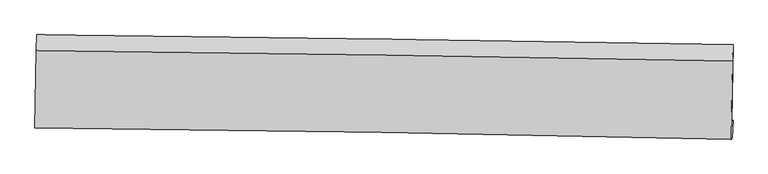
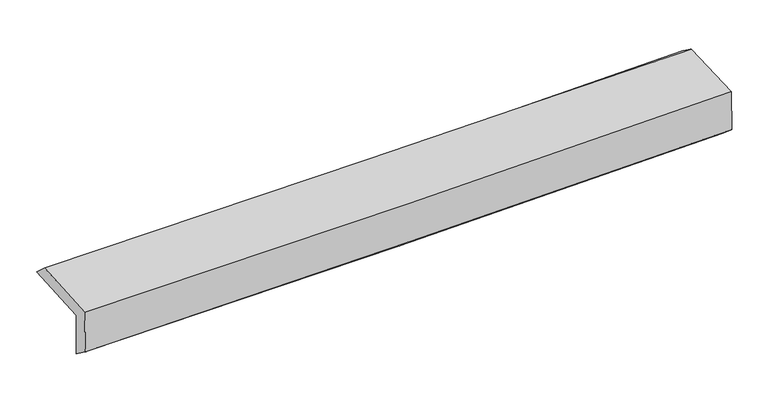
"""IFC4 building model written with IfcOpenShell, lengths in millimetres: proxy geometry."""

from ifc_helpers import new_model, si_unit, frame, origin, place, context, project, spatial, source, transform, mapped, element, save
from ifc_brep_helpers import plane_surface, spline_curve, spline_surface, advanced_brep


def generic_models_8c9d13d2(model_context):
    return source(origin(), model_context, "Body", "AdvancedBrep", [
        advanced_brep(
        [(-3025.2382006, -1762.0430083, 1965.236542), (-3015.0432849, -1097.1644631, 1991.1016361), (3011.9522553, -1183.715702, 2135.1156663), (3001.7267301, -1849.1480647, 2123.5009062), (-3015.2992352, -1746.6990724, 1566.8934843), (3011.9579014, -1838.4184033, 1710.1604971), (-3020.654418, -1900.7034333, 1683.9823247), (3006.315797, -1992.6780278, 1841.868273), (-3030.3838055, -1906.2573304, 2080.2616073), (2996.7486493, -2002.7113125, 2228.3820556), (-3020.3355576, -1236.3112673, 2115.5482088), (3007.1700585, -1327.0584349, 2238.5801418)],
        [
            (0, 1),
            (1, 2, spline_curve(3, [(-3015.0432849, -1097.1644631, 1991.1016361), (-2010.009843805, -1108.225128661, 1995.365739743), (-1005.242999266, -1120.968073328, 2009.498982242), (1003.755513327, -1149.818492773, 2057.503698138), (2007.98718176, -1165.925961028, 2091.37513228), (3011.9522553, -1183.715702, 2135.1156663)], [4, 2, 4], [0.0, 9.89163076246801, 19.78324198255625])),
            (2, 3),
            (3, 0, spline_curve(3, [(3001.7267301, -1849.1480647, 2123.5009062), (1997.885211027, -1831.083164162, 2072.637841026), (993.717870664, -1814.791964813, 2034.017612192), (-1015.270438392, -1785.756938705, 1981.262775696), (-2020.09140801, -1773.013119608, 1967.128216478), (-3025.2382006, -1762.0430083, 1965.236542)], [4, 2, 4], [0.0, 9.891611220088242, 19.78324198255625])),
            (4, 0),
            (3, 5),
            (5, 4, spline_curve(3, [(3011.9579014, -1838.4184033, 1710.1604971), (2007.970279633, -1818.046366275, 1666.796104889), (1003.705536933, -1800.21707538, 1633.174993526), (-1005.380173958, -1769.643954819, 1585.4192839), (-2010.201143662, -1756.900135668, 1571.284724638), (-3015.2992352, -1746.6990724, 1566.8934843)], [4, 2, 4], [0.0, 9.89187391443609, 19.783767371770942])),
            (6, 4),
            (5, 7),
            (7, 6, spline_curve(3, [(3006.315797, -1992.6780278, 1841.868273), (2002.164803704, -1972.610274508, 1804.519067836), (997.842285241, -1954.911853654, 1772.687310347), (-1011.147785771, -1924.253646261, 1720.058639265), (-2015.815338946, -1911.293868807, 1699.261747054), (-3020.654418, -1900.7034333, 1683.9823247)], [4, 2, 4], [0.0, 9.891534172013241, 19.78308788625403])),
            (8, 6),
            (7, 9),
            (9, 8, spline_curve(3, [(2996.7486493, -2002.7113125, 2228.3820556), (1992.760605067, -1980.263650892, 2185.912736397), (988.506041405, -1961.001993123, 2152.334709512), (-1020.538109389, -1928.850653317, 2102.961191915), (-2025.327697226, -1915.960983809, 2087.165735941), (-3030.3838055, -1906.2573304, 2080.2616073)], [4, 2, 4], [0.0, 9.891569441794969, 19.783158425887166])),
            (10, 8),
            (9, 11),
            (11, 10, spline_curve(3, [(3007.1700585, -1327.0584349, 2238.5801418), (2002.888707016, -1307.299346159, 2208.661009291), (998.456392748, -1289.85754283, 2183.448787519), (-1010.712145055, -1259.60847789, 2142.43812437), (-2015.448369696, -1246.80122511, 2126.639702048), (-3020.3355576, -1236.3112673, 2115.5482088)], [4, 2, 4], [0.0, 9.8912802098472, 19.782579961420208])),
            (1, 10),
            (11, 2),
        ],
        [
            spline_surface(3, 3, [[(-3025.2382006, -1762.0430083, 1965.236542), (-2020.091408029, -1773.013119592, 1967.128216389), (-1015.270438334, -1785.756938852, 1981.26277571), (993.717870605, -1814.791964667, 2034.017612178), (1997.885211157, -1831.083164194, 2072.637840872), (3001.7267301, -1849.1480647, 2123.5009062)], [(-3021.839895365, -1540.416826567, 1973.858240062), (-2016.730886643, -1551.417122567, 1976.540724175), (-1011.927958587, -1564.160650316, 1990.674844572), (997.06375149, -1593.134140729, 2041.846307459), (2001.25253474, -1609.364096486, 2078.883604624), (3005.135238513, -1627.337277123, 2127.3724929)], [(-3018.441590135, -1318.790644833, 1982.479938038), (-2013.370365263, -1329.821125541, 1985.953231876), (-1008.585478892, -1342.564361782, 2000.086913464), (1000.409632322, -1371.476316793, 2049.675002771), (2004.619858283, -1387.645028809, 2085.129368375), (3008.543746887, -1405.526489577, 2131.2440796)], [(-3015.0432849, -1097.1644631, 1991.1016361), (-2010.009843876, -1108.225128516, 1995.365739662), (-1005.242999145, -1120.968073246, 2009.498982326), (1003.755513206, -1149.818492855, 2057.503698053), (2007.987181866, -1165.925961102, 2091.375132127), (3011.9522553, -1183.715702, 2135.1156663)]], [4, 4], [4, 2, 4], [0.0, 2.1832662563809104], [0.0, 9.89163076246801, 19.78324198255625]),
            spline_surface(3, 3, [[(-3015.2992352, -1746.6990724, 1566.8934843), (-2010.201143759, -1756.900135665, 1571.28472467), (-1005.380174063, -1769.643954925, 1585.41928399), (1003.705537038, -1800.217075274, 1633.174993436), (2007.97027955, -1818.04636631, 1666.796105022), (3011.9579014, -1838.4184033, 1710.1604971)], [(-3018.61222366, -1751.813717706, 1699.674503523), (-2013.497898509, -1762.271130313, 1703.232555232), (-1008.676928813, -1775.014949573, 1717.367114553), (1000.376314901, -1805.075371744, 1766.789199672), (2004.608590089, -1822.391965614, 1802.07668364), (3008.54751097, -1841.99495711, 1847.940633468)], [(-3021.92521214, -1756.928362994, 1832.455522777), (-2016.794653279, -1767.642124944, 1835.180385827), (-1011.973683584, -1780.385944204, 1849.314945147), (997.047092743, -1809.933668197, 1900.403405941), (2001.246900618, -1826.73756489, 1937.357262254), (3005.13712053, -1845.57151089, 1985.720769832)], [(-3025.2382006, -1762.0430083, 1965.236542), (-2020.091408029, -1773.013119592, 1967.128216389), (-1015.270438334, -1785.756938852, 1981.26277571), (993.717870605, -1814.791964667, 2034.017612178), (1997.885211157, -1831.083164194, 2072.637840872), (3001.7267301, -1849.1480647, 2123.5009062)]], [4, 4], [4, 2, 4], [0.0, 1.308275399285792], [0.0, 9.891893457334852, 19.783767371770942]),
            spline_surface(3, 3, [[(-3020.654418, -1900.7034333, 1683.9823247), (-2015.815339084, -1911.293868915, 1699.261747148), (-1011.147785754, -1924.253646201, 1720.058639192), (997.842285223, -1954.911853714, 1772.68731042), (2002.164803583, -1972.610274626, 1804.519067822), (3006.315797, -1992.6780278, 1841.868273)], [(-3018.869357071, -1849.368646329, 1644.952711237), (-2013.943940647, -1859.82929116, 1656.602739659), (-1009.225248544, -1872.717082451, 1675.17885414), (999.796702475, -1903.346927576, 1726.183204774), (2004.099962242, -1921.088971867, 1758.611413579), (3008.196498471, -1941.25815298, 1797.965681057)], [(-3017.084296129, -1798.033859371, 1605.923097763), (-2012.072542196, -1808.364713419, 1613.943732159), (-1007.302711273, -1821.180518675, 1630.299069042), (1001.751119787, -1851.782001412, 1679.679099081), (2006.03512089, -1869.567669068, 1712.703759265), (3010.077199929, -1889.83827812, 1754.063089043)], [(-3015.2992352, -1746.6990724, 1566.8934843), (-2010.201143759, -1756.900135665, 1571.28472467), (-1005.380174063, -1769.643954925, 1585.41928399), (1003.705537038, -1800.217075274, 1633.174993436), (2007.97027955, -1818.04636631, 1666.796105022), (3011.9579014, -1838.4184033, 1710.1604971)]], [4, 4], [4, 2, 4], [0.0, 0.6782767841848238], [0.0, 9.89155371424079, 19.78308788625403]),
            spline_surface(3, 3, [[(-3030.3838055, -1906.2573304, 2080.2616073), (-2025.32769719, -1915.960983686, 2087.165735834), (-1020.538109268, -1928.850653232, 2102.961191763), (988.506041284, -1961.001993208, 2152.334709664), (1992.760604952, -1980.263650988, 2185.912736497), (2996.7486493, -2002.7113125, 2228.3820556)], [(-3027.14067634, -1904.406031385, 1948.1685131), (-2022.156911162, -1914.40527878, 1957.864406272), (-1017.40800144, -1927.318317553, 1975.327007565), (991.618122586, -1958.971946708, 2025.785576576), (1995.895337806, -1977.712525516, 2058.781513596), (2999.93769851, -1999.366884249, 2099.544128058)], [(-3023.89754716, -1902.554732315, 1816.0754189), (-2018.986125113, -1912.849573821, 1828.56307671), (-1014.277893581, -1925.78598188, 1847.69282339), (994.730203921, -1956.941900214, 1899.236443509), (1999.030070729, -1975.161400098, 1931.650290722), (3003.12674779, -1996.022456051, 1970.706200542)], [(-3020.654418, -1900.7034333, 1683.9823247), (-2015.815339084, -1911.293868915, 1699.261747148), (-1011.147785754, -1924.253646201, 1720.058639192), (997.842285223, -1954.911853714, 1772.68731042), (2002.164803583, -1972.610274626, 1804.519067822), (3006.315797, -1992.6780278, 1841.868273)]], [4, 4], [4, 2, 4], [0.0, 1.2514021152535395], [0.0, 9.891588984092197, 19.783158425887166]),
            spline_surface(3, 3, [[(-3020.3355576, -1236.3112673, 2115.5482088), (-2015.448369807, -1246.80122522, 2126.639701991), (-1010.712145207, -1259.608477846, 2142.438124493), (998.456392901, -1289.857542873, 2183.448787396), (2002.888706992, -1307.299346105, 2208.661009285), (3007.1700585, -1327.0584349, 2238.5801418)], [(-3023.684973542, -1459.626621672, 2103.786008278), (-2018.741478911, -1469.854478047, 2113.48171325), (-1013.987466531, -1482.68920297, 2129.279146914), (995.139609058, -1513.572359647, 2173.07742815), (1999.512673003, -1531.620781087, 2201.078251698), (3003.696255458, -1552.276060788, 2235.180779743)], [(-3027.034389558, -1682.941976028, 2092.023807822), (-2022.034588087, -1692.907730859, 2100.323724574), (-1017.262787944, -1705.769928108, 2116.120169342), (991.822825126, -1737.287176435, 2162.706068911), (1996.136638941, -1755.942216006, 2193.495494083), (3000.222452342, -1777.493686612, 2231.781417657)], [(-3030.3838055, -1906.2573304, 2080.2616073), (-2025.32769719, -1915.960983686, 2087.165735834), (-1020.538109268, -1928.850653232, 2102.961191763), (988.506041284, -1961.001993208, 2152.334709664), (1992.760604952, -1980.263650988, 2185.912736497), (2996.7486493, -2002.7113125, 2228.3820556)]], [4, 4], [4, 2, 4], [0.0, 2.202083076646891], [0.0, 9.891299751573008, 19.782579961420208]),
            spline_surface(3, 3, [[(-3015.0432849, -1097.1644631, 1991.1016361), (-2010.009843876, -1108.225128516, 1995.365739662), (-1005.242999145, -1120.968073246, 2009.498982326), (1003.755513206, -1149.818492855, 2057.503698053), (2007.987181866, -1165.925961102, 2091.375132127), (3011.9522553, -1183.715702, 2135.1156663)], [(-3016.807375822, -1143.546731142, 2032.583827), (-2011.822685875, -1154.417160726, 2039.123727106), (-1007.066047855, -1167.181541439, 2053.81202973), (1001.989139748, -1196.498176188, 2099.485394516), (2006.287690219, -1213.050422754, 2130.470424487), (3010.358189678, -1231.496612951, 2169.603824774)], [(-3018.571466678, -1189.928999258, 2074.0660179), (-2013.635527808, -1200.60919301, 2082.881714548), (-1008.889096497, -1213.395009652, 2098.125077089), (1000.222766359, -1243.17785954, 2141.467090933), (2004.588198639, -1260.174884453, 2169.565716925), (3008.764124122, -1279.277523949, 2204.091983326)], [(-3020.3355576, -1236.3112673, 2115.5482088), (-2015.448369807, -1246.80122522, 2126.639701991), (-1010.712145207, -1259.608477846, 2142.438124493), (998.456392901, -1289.857542873, 2183.448787396), (2002.888706992, -1307.299346105, 2208.661009285), (3007.1700585, -1327.0584349, 2238.5801418)]], [4, 4], [4, 2, 4], [0.0, 0.6242207344285741], [0.0, 9.891005762347936, 19.78199198355088]),
            plane_surface(frame((3005.9785653, -1698.9549909, 2046.2679233), z_axis=(0.999579299668622, -0.015784979990832303, 0.02433224364246565), x_axis=(0.02473650313229492, 0.0259417319895316, -0.9993573594836681))),
            plane_surface(frame((-3021.1590836, -1608.1964291, 1900.5039672), z_axis=(-0.9995719392719726, 0.016272771582409435, -0.02431327055528931), x_axis=(-0.015320113191660543, -0.9991269044932468, -0.03886801833818152))),
        ],
        [
            (0, [[1, 2, 3, 4]]),
            (1, [[5, -4, 6, 7]]),
            (2, [[8, -7, 9, 10]]),
            (3, [[11, -10, 12, 13]]),
            (4, [[14, -13, 15, 16]]),
            (5, [[17, -16, 18, -2]]),
            (6, [[-12, -9, -6, -3, -18, -15]]),
            (7, [[-1, -5, -8, -11, -14, -17]]),
        ],
    ),
    ])


if __name__ == "__main__":
    model = new_model("IFC4")
    model_context = context("Model", 3, world=origin())
    ifc_project = project(units=[si_unit("LENGTHUNIT", "METRE", prefix="MILLI")], contexts=[model_context])
    site = spatial("IfcSite", under=ifc_project)
    building = spatial("IfcBuilding", under=site)
    placement = place(None, origin())
    generic_models_shape = generic_models_8c9d13d2(model_context)
    element("IfcBuildingElementProxy", 1, Name="Generic Models", at=placement, inside=building, context=model_context, shape_type="MappedRepresentation", body=[
        mapped(generic_models_shape, transform((0.0, 0.0, 0.0), x_axis=(1.0, 0.0, 0.0), y_axis=(0.0, 1.0, 0.0), z_axis=(0.0, 0.0, 1.0))),
    ])
    save(model, "model.ifc")
